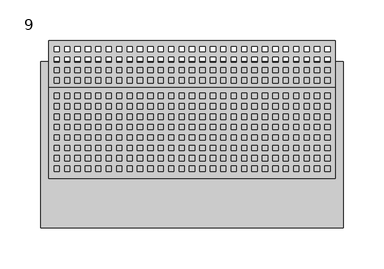
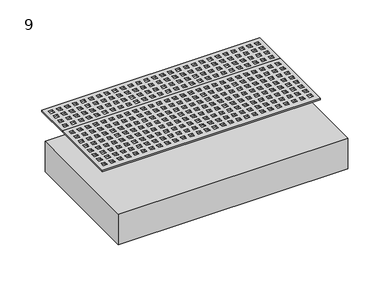
"""IFC4 building model written with IfcOpenShell, lengths in millimetres: furniture geometry, 9."""

from ifc_helpers import new_model, si_unit, frame, origin, place, context, project, spatial, polyline, outline, extrude, source, transform, mapped, element, save


def furniture_9_1f77d1e1(model_context):
    return source(origin(), model_context, "Body", "SweptSolid", [
        extrude(outline(polyline([(2431.9296415, 303.022), (2082.6796415, 303.022), (2082.6796415, 414.02), (2431.9296415, 414.02), (2431.9296415, 303.022)]), holes=[polyline([(2095.5042734, 311.9270787), (2095.5042734, 318.2770787), (2089.1542734, 318.2770787), (2089.1542734, 311.9270787), (2095.5042734, 311.9270787)]), polyline([(2095.5042734, 324.6270787), (2095.5042734, 330.9770787), (2089.1542734, 330.9770787), (2089.1542734, 324.6270787), (2095.5042734, 324.6270787)]), polyline([(2095.5042734, 337.3270787), (2095.5042734, 343.6770787), (2089.1542734, 343.6770787), (2089.1542734, 337.3270787), (2095.5042734, 337.3270787)]), polyline([(2095.5042734, 350.0270787), (2095.5042734, 356.3770787), (2089.1542734, 356.3770787), (2089.1542734, 350.0270787), (2095.5042734, 350.0270787)]), polyline([(2108.2042734, 311.9270787), (2108.2042734, 318.2770787), (2101.8542734, 318.2770787), (2101.8542734, 311.9270787), (2108.2042734, 311.9270787)]), polyline([(2108.2042734, 324.6270787), (2108.2042734, 330.9770787), (2101.8542734, 330.9770787), (2101.8542734, 324.6270787), (2108.2042734, 324.6270787)]), polyline([(2108.2042734, 337.3270787), (2108.2042734, 343.6770787), (2101.8542734, 343.6770787), (2101.8542734, 337.3270787), (2108.2042734, 337.3270787)]), polyline([(2108.2042734, 350.0270787), (2108.2042734, 356.3770787), (2101.8542734, 356.3770787), (2101.8542734, 350.0270787), (2108.2042734, 350.0270787)]), polyline([(2120.9042734, 311.9270787), (2120.9042734, 318.2770787), (2114.5542734, 318.2770787), (2114.5542734, 311.9270787), (2120.9042734, 311.9270787)]), polyline([(2120.9042734, 324.6270787), (2120.9042734, 330.9770787), (2114.5542734, 330.9770787), (2114.5542734, 324.6270787), (2120.9042734, 324.6270787)]), polyline([(2120.9042734, 337.3270787), (2120.9042734, 343.6770787), (2114.5542734, 343.6770787), (2114.5542734, 337.3270787), (2120.9042734, 337.3270787)]), polyline([(2120.9042734, 350.0270787), (2120.9042734, 356.3770787), (2114.5542734, 356.3770787), (2114.5542734, 350.0270787), (2120.9042734, 350.0270787)]), polyline([(2133.6042734, 311.9270787), (2133.6042734, 318.2770787), (2127.2542734, 318.2770787), (2127.2542734, 311.9270787), (2133.6042734, 311.9270787)]), polyline([(2133.6042734, 324.6270787), (2133.6042734, 330.9770787), (2127.2542734, 330.9770787), (2127.2542734, 324.6270787), (2133.6042734, 324.6270787)]), polyline([(2133.6042734, 337.3270787), (2133.6042734, 343.6770787), (2127.2542734, 343.6770787), (2127.2542734, 337.3270787), (2133.6042734, 337.3270787)]), polyline([(2133.6042734, 350.0270787), (2133.6042734, 356.3770787), (2127.2542734, 356.3770787), (2127.2542734, 350.0270787), (2133.6042734, 350.0270787)]), polyline([(2146.3042734, 311.9270787), (2146.3042734, 318.2770787), (2139.9542734, 318.2770787), (2139.9542734, 311.9270787), (2146.3042734, 311.9270787)]), polyline([(2146.3042734, 324.6270787), (2146.3042734, 330.9770787), (2139.9542734, 330.9770787), (2139.9542734, 324.6270787), (2146.3042734, 324.6270787)]), polyline([(2146.3042734, 337.3270787), (2146.3042734, 343.6770787), (2139.9542734, 343.6770787), (2139.9542734, 337.3270787), (2146.3042734, 337.3270787)]), polyline([(2146.3042734, 350.0270787), (2146.3042734, 356.3770787), (2139.9542734, 356.3770787), (2139.9542734, 350.0270787), (2146.3042734, 350.0270787)]), polyline([(2159.0042734, 311.9270787), (2159.0042734, 318.2770787), (2152.6542734, 318.2770787), (2152.6542734, 311.9270787), (2159.0042734, 311.9270787)]), polyline([(2159.0042734, 324.6270787), (2159.0042734, 330.9770787), (2152.6542734, 330.9770787), (2152.6542734, 324.6270787), (2159.0042734, 324.6270787)]), polyline([(2159.0042734, 337.3270787), (2159.0042734, 343.6770787), (2152.6542734, 343.6770787), (2152.6542734, 337.3270787), (2159.0042734, 337.3270787)]), polyline([(2159.0042734, 350.0270787), (2159.0042734, 356.3770787), (2152.6542734, 356.3770787), (2152.6542734, 350.0270787), (2159.0042734, 350.0270787)]), polyline([(2171.7042734, 311.9270787), (2171.7042734, 318.2770787), (2165.3542734, 318.2770787), (2165.3542734, 311.9270787), (2171.7042734, 311.9270787)]), polyline([(2171.7042734, 324.6270787), (2171.7042734, 330.9770787), (2165.3542734, 330.9770787), (2165.3542734, 324.6270787), (2171.7042734, 324.6270787)]), polyline([(2171.7042734, 337.3270787), (2171.7042734, 343.6770787), (2165.3542734, 343.6770787), (2165.3542734, 337.3270787), (2171.7042734, 337.3270787)]), polyline([(2171.7042734, 350.0270787), (2171.7042734, 356.3770787), (2165.3542734, 356.3770787), (2165.3542734, 350.0270787), (2171.7042734, 350.0270787)]), polyline([(2184.4042734, 311.9270787), (2184.4042734, 318.2770787), (2178.0542734, 318.2770787), (2178.0542734, 311.9270787), (2184.4042734, 311.9270787)]), polyline([(2184.4042734, 324.6270787), (2184.4042734, 330.9770787), (2178.0542734, 330.9770787), (2178.0542734, 324.6270787), (2184.4042734, 324.6270787)]), polyline([(2184.4042734, 337.3270787), (2184.4042734, 343.6770787), (2178.0542734, 343.6770787), (2178.0542734, 337.3270787), (2184.4042734, 337.3270787)]), polyline([(2184.4042734, 350.0270787), (2184.4042734, 356.3770787), (2178.0542734, 356.3770787), (2178.0542734, 350.0270787), (2184.4042734, 350.0270787)]), polyline([(2197.1042734, 311.9270787), (2197.1042734, 318.2770787), (2190.7542734, 318.2770787), (2190.7542734, 311.9270787), (2197.1042734, 311.9270787)]), polyline([(2197.1042734, 324.6270787), (2197.1042734, 330.9770787), (2190.7542734, 330.9770787), (2190.7542734, 324.6270787), (2197.1042734, 324.6270787)]), polyline([(2197.1042734, 337.3270787), (2197.1042734, 343.6770787), (2190.7542734, 343.6770787), (2190.7542734, 337.3270787), (2197.1042734, 337.3270787)]), polyline([(2197.1042734, 350.0270787), (2197.1042734, 356.3770787), (2190.7542734, 356.3770787), (2190.7542734, 350.0270787), (2197.1042734, 350.0270787)]), polyline([(2209.8042734, 311.9270787), (2209.8042734, 318.2770787), (2203.4542734, 318.2770787), (2203.4542734, 311.9270787), (2209.8042734, 311.9270787)]), polyline([(2209.8042734, 324.6270787), (2209.8042734, 330.9770787), (2203.4542734, 330.9770787), (2203.4542734, 324.6270787), (2209.8042734, 324.6270787)]), polyline([(2209.8042734, 337.3270787), (2209.8042734, 343.6770787), (2203.4542734, 343.6770787), (2203.4542734, 337.3270787), (2209.8042734, 337.3270787)]), polyline([(2209.8042734, 350.0270787), (2209.8042734, 356.3770787), (2203.4542734, 356.3770787), (2203.4542734, 350.0270787), (2209.8042734, 350.0270787)]), polyline([(2222.5042734, 311.9270787), (2222.5042734, 318.2770787), (2216.1542734, 318.2770787), (2216.1542734, 311.9270787), (2222.5042734, 311.9270787)]), polyline([(2222.5042734, 324.6270787), (2222.5042734, 330.9770787), (2216.1542734, 330.9770787), (2216.1542734, 324.6270787), (2222.5042734, 324.6270787)]), polyline([(2222.5042734, 337.3270787), (2222.5042734, 343.6770787), (2216.1542734, 343.6770787), (2216.1542734, 337.3270787), (2222.5042734, 337.3270787)]), polyline([(2222.5042734, 350.0270787), (2222.5042734, 356.3770787), (2216.1542734, 356.3770787), (2216.1542734, 350.0270787), (2222.5042734, 350.0270787)]), polyline([(2235.2042734, 311.9270787), (2235.2042734, 318.2770787), (2228.8542734, 318.2770787), (2228.8542734, 311.9270787), (2235.2042734, 311.9270787)]), polyline([(2235.2042734, 324.6270787), (2235.2042734, 330.9770787), (2228.8542734, 330.9770787), (2228.8542734, 324.6270787), (2235.2042734, 324.6270787)]), polyline([(2235.2042734, 337.3270787), (2235.2042734, 343.6770787), (2228.8542734, 343.6770787), (2228.8542734, 337.3270787), (2235.2042734, 337.3270787)]), polyline([(2235.2042734, 350.0270787), (2235.2042734, 356.3770787), (2228.8542734, 356.3770787), (2228.8542734, 350.0270787), (2235.2042734, 350.0270787)]), polyline([(2247.9042734, 311.9270787), (2247.9042734, 318.2770787), (2241.5542734, 318.2770787), (2241.5542734, 311.9270787), (2247.9042734, 311.9270787)]), polyline([(2247.9042734, 324.6270787), (2247.9042734, 330.9770787), (2241.5542734, 330.9770787), (2241.5542734, 324.6270787), (2247.9042734, 324.6270787)]), polyline([(2247.9042734, 337.3270787), (2247.9042734, 343.6770787), (2241.5542734, 343.6770787), (2241.5542734, 337.3270787), (2247.9042734, 337.3270787)]), polyline([(2247.9042734, 350.0270787), (2247.9042734, 356.3770787), (2241.5542734, 356.3770787), (2241.5542734, 350.0270787), (2247.9042734, 350.0270787)]), polyline([(2260.6042734, 311.9270787), (2260.6042734, 318.2770787), (2254.2542734, 318.2770787), (2254.2542734, 311.9270787), (2260.6042734, 311.9270787)]), polyline([(2260.6042734, 324.6270787), (2260.6042734, 330.9770787), (2254.2542734, 330.9770787), (2254.2542734, 324.6270787), (2260.6042734, 324.6270787)]), polyline([(2260.6042734, 337.3270787), (2260.6042734, 343.6770787), (2254.2542734, 343.6770787), (2254.2542734, 337.3270787), (2260.6042734, 337.3270787)]), polyline([(2260.6042734, 350.0270787), (2260.6042734, 356.3770787), (2254.2542734, 356.3770787), (2254.2542734, 350.0270787), (2260.6042734, 350.0270787)]), polyline([(2273.3042734, 311.9270787), (2273.3042734, 318.2770787), (2266.9542734, 318.2770787), (2266.9542734, 311.9270787), (2273.3042734, 311.9270787)]), polyline([(2273.3042734, 324.6270787), (2273.3042734, 330.9770787), (2266.9542734, 330.9770787), (2266.9542734, 324.6270787), (2273.3042734, 324.6270787)]), polyline([(2273.3042734, 337.3270787), (2273.3042734, 343.6770787), (2266.9542734, 343.6770787), (2266.9542734, 337.3270787), (2273.3042734, 337.3270787)]), polyline([(2273.3042734, 350.0270787), (2273.3042734, 356.3770787), (2266.9542734, 356.3770787), (2266.9542734, 350.0270787), (2273.3042734, 350.0270787)]), polyline([(2286.0042734, 311.9270787), (2286.0042734, 318.2770787), (2279.6542734, 318.2770787), (2279.6542734, 311.9270787), (2286.0042734, 311.9270787)]), polyline([(2286.0042734, 324.6270787), (2286.0042734, 330.9770787), (2279.6542734, 330.9770787), (2279.6542734, 324.6270787), (2286.0042734, 324.6270787)]), polyline([(2286.0042734, 337.3270787), (2286.0042734, 343.6770787), (2279.6542734, 343.6770787), (2279.6542734, 337.3270787), (2286.0042734, 337.3270787)]), polyline([(2286.0042734, 350.0270787), (2286.0042734, 356.3770787), (2279.6542734, 356.3770787), (2279.6542734, 350.0270787), (2286.0042734, 350.0270787)]), polyline([(2298.7042734, 311.9270787), (2298.7042734, 318.2770787), (2292.3542734, 318.2770787), (2292.3542734, 311.9270787), (2298.7042734, 311.9270787)]), polyline([(2298.7042734, 324.6270787), (2298.7042734, 330.9770787), (2292.3542734, 330.9770787), (2292.3542734, 324.6270787), (2298.7042734, 324.6270787)]), polyline([(2298.7042734, 337.3270787), (2298.7042734, 343.6770787), (2292.3542734, 343.6770787), (2292.3542734, 337.3270787), (2298.7042734, 337.3270787)]), polyline([(2298.7042734, 350.0270787), (2298.7042734, 356.3770787), (2292.3542734, 356.3770787), (2292.3542734, 350.0270787), (2298.7042734, 350.0270787)]), polyline([(2311.4042734, 311.9270787), (2311.4042734, 318.2770787), (2305.0542734, 318.2770787), (2305.0542734, 311.9270787), (2311.4042734, 311.9270787)]), polyline([(2311.4042734, 324.6270787), (2311.4042734, 330.9770787), (2305.0542734, 330.9770787), (2305.0542734, 324.6270787), (2311.4042734, 324.6270787)]), polyline([(2311.4042734, 337.3270787), (2311.4042734, 343.6770787), (2305.0542734, 343.6770787), (2305.0542734, 337.3270787), (2311.4042734, 337.3270787)]), polyline([(2311.4042734, 350.0270787), (2311.4042734, 356.3770787), (2305.0542734, 356.3770787), (2305.0542734, 350.0270787), (2311.4042734, 350.0270787)]), polyline([(2324.1042734, 311.9270787), (2324.1042734, 318.2770787), (2317.7542734, 318.2770787), (2317.7542734, 311.9270787), (2324.1042734, 311.9270787)]), polyline([(2324.1042734, 324.6270787), (2324.1042734, 330.9770787), (2317.7542734, 330.9770787), (2317.7542734, 324.6270787), (2324.1042734, 324.6270787)]), polyline([(2324.1042734, 337.3270787), (2324.1042734, 343.6770787), (2317.7542734, 343.6770787), (2317.7542734, 337.3270787), (2324.1042734, 337.3270787)]), polyline([(2324.1042734, 350.0270787), (2324.1042734, 356.3770787), (2317.7542734, 356.3770787), (2317.7542734, 350.0270787), (2324.1042734, 350.0270787)]), polyline([(2336.8042734, 311.9270787), (2336.8042734, 318.2770787), (2330.4542734, 318.2770787), (2330.4542734, 311.9270787), (2336.8042734, 311.9270787)]), polyline([(2336.8042734, 324.6270787), (2336.8042734, 330.9770787), (2330.4542734, 330.9770787), (2330.4542734, 324.6270787), (2336.8042734, 324.6270787)]), polyline([(2336.8042734, 337.3270787), (2336.8042734, 343.6770787), (2330.4542734, 343.6770787), (2330.4542734, 337.3270787), (2336.8042734, 337.3270787)]), polyline([(2336.8042734, 350.0270787), (2336.8042734, 356.3770787), (2330.4542734, 356.3770787), (2330.4542734, 350.0270787), (2336.8042734, 350.0270787)]), polyline([(2349.5042734, 311.9270787), (2349.5042734, 318.2770787), (2343.1542734, 318.2770787), (2343.1542734, 311.9270787), (2349.5042734, 311.9270787)]), polyline([(2349.5042734, 324.6270787), (2349.5042734, 330.9770787), (2343.1542734, 330.9770787), (2343.1542734, 324.6270787), (2349.5042734, 324.6270787)]), polyline([(2349.5042734, 337.3270787), (2349.5042734, 343.6770787), (2343.1542734, 343.6770787), (2343.1542734, 337.3270787), (2349.5042734, 337.3270787)]), polyline([(2349.5042734, 350.0270787), (2349.5042734, 356.3770787), (2343.1542734, 356.3770787), (2343.1542734, 350.0270787), (2349.5042734, 350.0270787)]), polyline([(2362.2042734, 311.9270787), (2362.2042734, 318.2770787), (2355.8542734, 318.2770787), (2355.8542734, 311.9270787), (2362.2042734, 311.9270787)]), polyline([(2362.2042734, 324.6270787), (2362.2042734, 330.9770787), (2355.8542734, 330.9770787), (2355.8542734, 324.6270787), (2362.2042734, 324.6270787)]), polyline([(2362.2042734, 337.3270787), (2362.2042734, 343.6770787), (2355.8542734, 343.6770787), (2355.8542734, 337.3270787), (2362.2042734, 337.3270787)]), polyline([(2362.2042734, 350.0270787), (2362.2042734, 356.3770787), (2355.8542734, 356.3770787), (2355.8542734, 350.0270787), (2362.2042734, 350.0270787)]), polyline([(2374.9042734, 311.9270787), (2374.9042734, 318.2770787), (2368.5542734, 318.2770787), (2368.5542734, 311.9270787), (2374.9042734, 311.9270787)]), polyline([(2374.9042734, 324.6270787), (2374.9042734, 330.9770787), (2368.5542734, 330.9770787), (2368.5542734, 324.6270787), (2374.9042734, 324.6270787)]), polyline([(2374.9042734, 337.3270787), (2374.9042734, 343.6770787), (2368.5542734, 343.6770787), (2368.5542734, 337.3270787), (2374.9042734, 337.3270787)]), polyline([(2374.9042734, 350.0270787), (2374.9042734, 356.3770787), (2368.5542734, 356.3770787), (2368.5542734, 350.0270787), (2374.9042734, 350.0270787)]), polyline([(2387.6042734, 311.9270787), (2387.6042734, 318.2770787), (2381.2542734, 318.2770787), (2381.2542734, 311.9270787), (2387.6042734, 311.9270787)]), polyline([(2387.6042734, 324.6270787), (2387.6042734, 330.9770787), (2381.2542734, 330.9770787), (2381.2542734, 324.6270787), (2387.6042734, 324.6270787)]), polyline([(2387.6042734, 337.3270787), (2387.6042734, 343.6770787), (2381.2542734, 343.6770787), (2381.2542734, 337.3270787), (2387.6042734, 337.3270787)]), polyline([(2387.6042734, 350.0270787), (2387.6042734, 356.3770787), (2381.2542734, 356.3770787), (2381.2542734, 350.0270787), (2387.6042734, 350.0270787)]), polyline([(2400.3042734, 311.9270787), (2400.3042734, 318.2770787), (2393.9542734, 318.2770787), (2393.9542734, 311.9270787), (2400.3042734, 311.9270787)]), polyline([(2400.3042734, 324.6270787), (2400.3042734, 330.9770787), (2393.9542734, 330.9770787), (2393.9542734, 324.6270787), (2400.3042734, 324.6270787)]), polyline([(2400.3042734, 337.3270787), (2400.3042734, 343.6770787), (2393.9542734, 343.6770787), (2393.9542734, 337.3270787), (2400.3042734, 337.3270787)]), polyline([(2400.3042734, 350.0270787), (2400.3042734, 356.3770787), (2393.9542734, 356.3770787), (2393.9542734, 350.0270787), (2400.3042734, 350.0270787)]), polyline([(2413.0042734, 311.9270787), (2413.0042734, 318.2770787), (2406.6542734, 318.2770787), (2406.6542734, 311.9270787), (2413.0042734, 311.9270787)]), polyline([(2413.0042734, 324.6270787), (2413.0042734, 330.9770787), (2406.6542734, 330.9770787), (2406.6542734, 324.6270787), (2413.0042734, 324.6270787)]), polyline([(2413.0042734, 337.3270787), (2413.0042734, 343.6770787), (2406.6542734, 343.6770787), (2406.6542734, 337.3270787), (2413.0042734, 337.3270787)]), polyline([(2413.0042734, 350.0270787), (2413.0042734, 356.3770787), (2406.6542734, 356.3770787), (2406.6542734, 350.0270787), (2413.0042734, 350.0270787)]), polyline([(2425.7042734, 311.9270787), (2425.7042734, 318.2770787), (2419.3542734, 318.2770787), (2419.3542734, 311.9270787), (2425.7042734, 311.9270787)]), polyline([(2425.7042734, 324.6270787), (2425.7042734, 330.9770787), (2419.3542734, 330.9770787), (2419.3542734, 324.6270787), (2425.7042734, 324.6270787)]), polyline([(2425.7042734, 337.3270787), (2425.7042734, 343.6770787), (2419.3542734, 343.6770787), (2419.3542734, 337.3270787), (2425.7042734, 337.3270787)]), polyline([(2425.7042734, 350.0270787), (2425.7042734, 356.3770787), (2419.3542734, 356.3770787), (2419.3542734, 350.0270787), (2425.7042734, 350.0270787)]), polyline([(2095.5042734, 362.7270787), (2095.5042734, 369.0770787), (2089.1542734, 369.0770787), (2089.1542734, 362.7270787), (2095.5042734, 362.7270787)]), polyline([(2095.5042734, 375.4270787), (2095.5042734, 381.7770787), (2089.1542734, 381.7770787), (2089.1542734, 375.4270787), (2095.5042734, 375.4270787)]), polyline([(2095.5042734, 388.1270787), (2095.5042734, 394.4770787), (2089.1542734, 394.4770787), (2089.1542734, 388.1270787), (2095.5042734, 388.1270787)]), polyline([(2108.2042734, 362.7270787), (2108.2042734, 369.0770787), (2101.8542734, 369.0770787), (2101.8542734, 362.7270787), (2108.2042734, 362.7270787)]), polyline([(2108.2042734, 375.4270787), (2108.2042734, 381.7770787), (2101.8542734, 381.7770787), (2101.8542734, 375.4270787), (2108.2042734, 375.4270787)]), polyline([(2108.2042734, 388.1270787), (2108.2042734, 394.4770787), (2101.8542734, 394.4770787), (2101.8542734, 388.1270787), (2108.2042734, 388.1270787)]), polyline([(2120.9042734, 362.7270787), (2120.9042734, 369.0770787), (2114.5542734, 369.0770787), (2114.5542734, 362.7270787), (2120.9042734, 362.7270787)]), polyline([(2120.9042734, 375.4270787), (2120.9042734, 381.7770787), (2114.5542734, 381.7770787), (2114.5542734, 375.4270787), (2120.9042734, 375.4270787)]), polyline([(2120.9042734, 388.1270787), (2120.9042734, 394.4770787), (2114.5542734, 394.4770787), (2114.5542734, 388.1270787), (2120.9042734, 388.1270787)]), polyline([(2133.6042734, 362.7270787), (2133.6042734, 369.0770787), (2127.2542734, 369.0770787), (2127.2542734, 362.7270787), (2133.6042734, 362.7270787)]), polyline([(2133.6042734, 375.4270787), (2133.6042734, 381.7770787), (2127.2542734, 381.7770787), (2127.2542734, 375.4270787), (2133.6042734, 375.4270787)]), polyline([(2133.6042734, 388.1270787), (2133.6042734, 394.4770787), (2127.2542734, 394.4770787), (2127.2542734, 388.1270787), (2133.6042734, 388.1270787)]), polyline([(2146.3042734, 362.7270787), (2146.3042734, 369.0770787), (2139.9542734, 369.0770787), (2139.9542734, 362.7270787), (2146.3042734, 362.7270787)]), polyline([(2146.3042734, 375.4270787), (2146.3042734, 381.7770787), (2139.9542734, 381.7770787), (2139.9542734, 375.4270787), (2146.3042734, 375.4270787)]), polyline([(2146.3042734, 388.1270787), (2146.3042734, 394.4770787), (2139.9542734, 394.4770787), (2139.9542734, 388.1270787), (2146.3042734, 388.1270787)]), polyline([(2159.0042734, 362.7270787), (2159.0042734, 369.0770787), (2152.6542734, 369.0770787), (2152.6542734, 362.7270787), (2159.0042734, 362.7270787)]), polyline([(2159.0042734, 375.4270787), (2159.0042734, 381.7770787), (2152.6542734, 381.7770787), (2152.6542734, 375.4270787), (2159.0042734, 375.4270787)]), polyline([(2159.0042734, 388.1270787), (2159.0042734, 394.4770787), (2152.6542734, 394.4770787), (2152.6542734, 388.1270787), (2159.0042734, 388.1270787)]), polyline([(2171.7042734, 362.7270787), (2171.7042734, 369.0770787), (2165.3542734, 369.0770787), (2165.3542734, 362.7270787), (2171.7042734, 362.7270787)]), polyline([(2171.7042734, 375.4270787), (2171.7042734, 381.7770787), (2165.3542734, 381.7770787), (2165.3542734, 375.4270787), (2171.7042734, 375.4270787)]), polyline([(2171.7042734, 388.1270787), (2171.7042734, 394.4770787), (2165.3542734, 394.4770787), (2165.3542734, 388.1270787), (2171.7042734, 388.1270787)]), polyline([(2184.4042734, 362.7270787), (2184.4042734, 369.0770787), (2178.0542734, 369.0770787), (2178.0542734, 362.7270787), (2184.4042734, 362.7270787)]), polyline([(2184.4042734, 375.4270787), (2184.4042734, 381.7770787), (2178.0542734, 381.7770787), (2178.0542734, 375.4270787), (2184.4042734, 375.4270787)]), polyline([(2184.4042734, 388.1270787), (2184.4042734, 394.4770787), (2178.0542734, 394.4770787), (2178.0542734, 388.1270787), (2184.4042734, 388.1270787)]), polyline([(2197.1042734, 362.7270787), (2197.1042734, 369.0770787), (2190.7542734, 369.0770787), (2190.7542734, 362.7270787), (2197.1042734, 362.7270787)]), polyline([(2197.1042734, 375.4270787), (2197.1042734, 381.7770787), (2190.7542734, 381.7770787), (2190.7542734, 375.4270787), (2197.1042734, 375.4270787)]), polyline([(2197.1042734, 388.1270787), (2197.1042734, 394.4770787), (2190.7542734, 394.4770787), (2190.7542734, 388.1270787), (2197.1042734, 388.1270787)]), polyline([(2209.8042734, 362.7270787), (2209.8042734, 369.0770787), (2203.4542734, 369.0770787), (2203.4542734, 362.7270787), (2209.8042734, 362.7270787)]), polyline([(2209.8042734, 375.4270787), (2209.8042734, 381.7770787), (2203.4542734, 381.7770787), (2203.4542734, 375.4270787), (2209.8042734, 375.4270787)]), polyline([(2209.8042734, 388.1270787), (2209.8042734, 394.4770787), (2203.4542734, 394.4770787), (2203.4542734, 388.1270787), (2209.8042734, 388.1270787)]), polyline([(2222.5042734, 362.7270787), (2222.5042734, 369.0770787), (2216.1542734, 369.0770787), (2216.1542734, 362.7270787), (2222.5042734, 362.7270787)]), polyline([(2222.5042734, 375.4270787), (2222.5042734, 381.7770787), (2216.1542734, 381.7770787), (2216.1542734, 375.4270787), (2222.5042734, 375.4270787)]), polyline([(2222.5042734, 388.1270787), (2222.5042734, 394.4770787), (2216.1542734, 394.4770787), (2216.1542734, 388.1270787), (2222.5042734, 388.1270787)]), polyline([(2235.2042734, 362.7270787), (2235.2042734, 369.0770787), (2228.8542734, 369.0770787), (2228.8542734, 362.7270787), (2235.2042734, 362.7270787)]), polyline([(2235.2042734, 375.4270787), (2235.2042734, 381.7770787), (2228.8542734, 381.7770787), (2228.8542734, 375.4270787), (2235.2042734, 375.4270787)]), polyline([(2235.2042734, 388.1270787), (2235.2042734, 394.4770787), (2228.8542734, 394.4770787), (2228.8542734, 388.1270787), (2235.2042734, 388.1270787)]), polyline([(2247.9042734, 362.7270787), (2247.9042734, 369.0770787), (2241.5542734, 369.0770787), (2241.5542734, 362.7270787), (2247.9042734, 362.7270787)]), polyline([(2247.9042734, 375.4270787), (2247.9042734, 381.7770787), (2241.5542734, 381.7770787), (2241.5542734, 375.4270787), (2247.9042734, 375.4270787)]), polyline([(2247.9042734, 388.1270787), (2247.9042734, 394.4770787), (2241.5542734, 394.4770787), (2241.5542734, 388.1270787), (2247.9042734, 388.1270787)]), polyline([(2260.6042734, 362.7270787), (2260.6042734, 369.0770787), (2254.2542734, 369.0770787), (2254.2542734, 362.7270787), (2260.6042734, 362.7270787)]), polyline([(2260.6042734, 375.4270787), (2260.6042734, 381.7770787), (2254.2542734, 381.7770787), (2254.2542734, 375.4270787), (2260.6042734, 375.4270787)]), polyline([(2260.6042734, 388.1270787), (2260.6042734, 394.4770787), (2254.2542734, 394.4770787), (2254.2542734, 388.1270787), (2260.6042734, 388.1270787)]), polyline([(2273.3042734, 362.7270787), (2273.3042734, 369.0770787), (2266.9542734, 369.0770787), (2266.9542734, 362.7270787), (2273.3042734, 362.7270787)]), polyline([(2273.3042734, 375.4270787), (2273.3042734, 381.7770787), (2266.9542734, 381.7770787), (2266.9542734, 375.4270787), (2273.3042734, 375.4270787)]), polyline([(2273.3042734, 388.1270787), (2273.3042734, 394.4770787), (2266.9542734, 394.4770787), (2266.9542734, 388.1270787), (2273.3042734, 388.1270787)]), polyline([(2286.0042734, 362.7270787), (2286.0042734, 369.0770787), (2279.6542734, 369.0770787), (2279.6542734, 362.7270787), (2286.0042734, 362.7270787)]), polyline([(2286.0042734, 375.4270787), (2286.0042734, 381.7770787), (2279.6542734, 381.7770787), (2279.6542734, 375.4270787), (2286.0042734, 375.4270787)]), polyline([(2286.0042734, 388.1270787), (2286.0042734, 394.4770787), (2279.6542734, 394.4770787), (2279.6542734, 388.1270787), (2286.0042734, 388.1270787)]), polyline([(2298.7042734, 362.7270787), (2298.7042734, 369.0770787), (2292.3542734, 369.0770787), (2292.3542734, 362.7270787), (2298.7042734, 362.7270787)]), polyline([(2298.7042734, 375.4270787), (2298.7042734, 381.7770787), (2292.3542734, 381.7770787), (2292.3542734, 375.4270787), (2298.7042734, 375.4270787)]), polyline([(2298.7042734, 388.1270787), (2298.7042734, 394.4770787), (2292.3542734, 394.4770787), (2292.3542734, 388.1270787), (2298.7042734, 388.1270787)]), polyline([(2311.4042734, 362.7270787), (2311.4042734, 369.0770787), (2305.0542734, 369.0770787), (2305.0542734, 362.7270787), (2311.4042734, 362.7270787)]), polyline([(2311.4042734, 375.4270787), (2311.4042734, 381.7770787), (2305.0542734, 381.7770787), (2305.0542734, 375.4270787), (2311.4042734, 375.4270787)]), polyline([(2311.4042734, 388.1270787), (2311.4042734, 394.4770787), (2305.0542734, 394.4770787), (2305.0542734, 388.1270787), (2311.4042734, 388.1270787)]), polyline([(2324.1042734, 362.7270787), (2324.1042734, 369.0770787), (2317.7542734, 369.0770787), (2317.7542734, 362.7270787), (2324.1042734, 362.7270787)]), polyline([(2324.1042734, 375.4270787), (2324.1042734, 381.7770787), (2317.7542734, 381.7770787), (2317.7542734, 375.4270787), (2324.1042734, 375.4270787)]), polyline([(2324.1042734, 388.1270787), (2324.1042734, 394.4770787), (2317.7542734, 394.4770787), (2317.7542734, 388.1270787), (2324.1042734, 388.1270787)]), polyline([(2336.8042734, 362.7270787), (2336.8042734, 369.0770787), (2330.4542734, 369.0770787), (2330.4542734, 362.7270787), (2336.8042734, 362.7270787)]), polyline([(2336.8042734, 375.4270787), (2336.8042734, 381.7770787), (2330.4542734, 381.7770787), (2330.4542734, 375.4270787), (2336.8042734, 375.4270787)]), polyline([(2336.8042734, 388.1270787), (2336.8042734, 394.4770787), (2330.4542734, 394.4770787), (2330.4542734, 388.1270787), (2336.8042734, 388.1270787)]), polyline([(2349.5042734, 362.7270787), (2349.5042734, 369.0770787), (2343.1542734, 369.0770787), (2343.1542734, 362.7270787), (2349.5042734, 362.7270787)]), polyline([(2349.5042734, 375.4270787), (2349.5042734, 381.7770787), (2343.1542734, 381.7770787), (2343.1542734, 375.4270787), (2349.5042734, 375.4270787)]), polyline([(2349.5042734, 388.1270787), (2349.5042734, 394.4770787), (2343.1542734, 394.4770787), (2343.1542734, 388.1270787), (2349.5042734, 388.1270787)]), polyline([(2362.2042734, 362.7270787), (2362.2042734, 369.0770787), (2355.8542734, 369.0770787), (2355.8542734, 362.7270787), (2362.2042734, 362.7270787)]), polyline([(2362.2042734, 375.4270787), (2362.2042734, 381.7770787), (2355.8542734, 381.7770787), (2355.8542734, 375.4270787), (2362.2042734, 375.4270787)]), polyline([(2362.2042734, 388.1270787), (2362.2042734, 394.4770787), (2355.8542734, 394.4770787), (2355.8542734, 388.1270787), (2362.2042734, 388.1270787)]), polyline([(2374.9042734, 362.7270787), (2374.9042734, 369.0770787), (2368.5542734, 369.0770787), (2368.5542734, 362.7270787), (2374.9042734, 362.7270787)]), polyline([(2374.9042734, 375.4270787), (2374.9042734, 381.7770787), (2368.5542734, 381.7770787), (2368.5542734, 375.4270787), (2374.9042734, 375.4270787)]), polyline([(2374.9042734, 388.1270787), (2374.9042734, 394.4770787), (2368.5542734, 394.4770787), (2368.5542734, 388.1270787), (2374.9042734, 388.1270787)]), polyline([(2387.6042734, 362.7270787), (2387.6042734, 369.0770787), (2381.2542734, 369.0770787), (2381.2542734, 362.7270787), (2387.6042734, 362.7270787)]), polyline([(2387.6042734, 375.4270787), (2387.6042734, 381.7770787), (2381.2542734, 381.7770787), (2381.2542734, 375.4270787), (2387.6042734, 375.4270787)]), polyline([(2387.6042734, 388.1270787), (2387.6042734, 394.4770787), (2381.2542734, 394.4770787), (2381.2542734, 388.1270787), (2387.6042734, 388.1270787)]), polyline([(2400.3042734, 362.7270787), (2400.3042734, 369.0770787), (2393.9542734, 369.0770787), (2393.9542734, 362.7270787), (2400.3042734, 362.7270787)]), polyline([(2400.3042734, 375.4270787), (2400.3042734, 381.7770787), (2393.9542734, 381.7770787), (2393.9542734, 375.4270787), (2400.3042734, 375.4270787)]), polyline([(2400.3042734, 388.1270787), (2400.3042734, 394.4770787), (2393.9542734, 394.4770787), (2393.9542734, 388.1270787), (2400.3042734, 388.1270787)]), polyline([(2413.0042734, 362.7270787), (2413.0042734, 369.0770787), (2406.6542734, 369.0770787), (2406.6542734, 362.7270787), (2413.0042734, 362.7270787)]), polyline([(2413.0042734, 375.4270787), (2413.0042734, 381.7770787), (2406.6542734, 381.7770787), (2406.6542734, 375.4270787), (2413.0042734, 375.4270787)]), polyline([(2413.0042734, 388.1270787), (2413.0042734, 394.4770787), (2406.6542734, 394.4770787), (2406.6542734, 388.1270787), (2413.0042734, 388.1270787)]), polyline([(2425.7042734, 362.7270787), (2425.7042734, 369.0770787), (2419.3542734, 369.0770787), (2419.3542734, 362.7270787), (2425.7042734, 362.7270787)]), polyline([(2425.7042734, 375.4270787), (2425.7042734, 381.7770787), (2419.3542734, 381.7770787), (2419.3542734, 375.4270787), (2425.7042734, 375.4270787)]), polyline([(2425.7042734, 388.1270787), (2425.7042734, 394.4770787), (2419.3542734, 394.4770787), (2419.3542734, 388.1270787), (2425.7042734, 388.1270787)]), polyline([(2095.5042734, 400.8270787), (2095.5042734, 407.1770787), (2089.1542734, 407.1770787), (2089.1542734, 400.8270787), (2095.5042734, 400.8270787)]), polyline([(2108.2042734, 400.8270787), (2108.2042734, 407.1770787), (2101.8542734, 407.1770787), (2101.8542734, 400.8270787), (2108.2042734, 400.8270787)]), polyline([(2120.9042734, 400.8270787), (2120.9042734, 407.1770787), (2114.5542734, 407.1770787), (2114.5542734, 400.8270787), (2120.9042734, 400.8270787)]), polyline([(2133.6042734, 400.8270787), (2133.6042734, 407.1770787), (2127.2542734, 407.1770787), (2127.2542734, 400.8270787), (2133.6042734, 400.8270787)]), polyline([(2146.3042734, 400.8270787), (2146.3042734, 407.1770787), (2139.9542734, 407.1770787), (2139.9542734, 400.8270787), (2146.3042734, 400.8270787)]), polyline([(2159.0042734, 400.8270787), (2159.0042734, 407.1770787), (2152.6542734, 407.1770787), (2152.6542734, 400.8270787), (2159.0042734, 400.8270787)]), polyline([(2171.7042734, 400.8270787), (2171.7042734, 407.1770787), (2165.3542734, 407.1770787), (2165.3542734, 400.8270787), (2171.7042734, 400.8270787)]), polyline([(2184.4042734, 400.8270787), (2184.4042734, 407.1770787), (2178.0542734, 407.1770787), (2178.0542734, 400.8270787), (2184.4042734, 400.8270787)]), polyline([(2197.1042734, 400.8270787), (2197.1042734, 407.1770787), (2190.7542734, 407.1770787), (2190.7542734, 400.8270787), (2197.1042734, 400.8270787)]), polyline([(2209.8042734, 400.8270787), (2209.8042734, 407.1770787), (2203.4542734, 407.1770787), (2203.4542734, 400.8270787), (2209.8042734, 400.8270787)]), polyline([(2222.5042734, 400.8270787), (2222.5042734, 407.1770787), (2216.1542734, 407.1770787), (2216.1542734, 400.8270787), (2222.5042734, 400.8270787)]), polyline([(2235.2042734, 400.8270787), (2235.2042734, 407.1770787), (2228.8542734, 407.1770787), (2228.8542734, 400.8270787), (2235.2042734, 400.8270787)]), polyline([(2247.9042734, 400.8270787), (2247.9042734, 407.1770787), (2241.5542734, 407.1770787), (2241.5542734, 400.8270787), (2247.9042734, 400.8270787)]), polyline([(2260.6042734, 400.8270787), (2260.6042734, 407.1770787), (2254.2542734, 407.1770787), (2254.2542734, 400.8270787), (2260.6042734, 400.8270787)]), polyline([(2273.3042734, 400.8270787), (2273.3042734, 407.1770787), (2266.9542734, 407.1770787), (2266.9542734, 400.8270787), (2273.3042734, 400.8270787)]), polyline([(2286.0042734, 400.8270787), (2286.0042734, 407.1770787), (2279.6542734, 407.1770787), (2279.6542734, 400.8270787), (2286.0042734, 400.8270787)]), polyline([(2298.7042734, 400.8270787), (2298.7042734, 407.1770787), (2292.3542734, 407.1770787), (2292.3542734, 400.8270787), (2298.7042734, 400.8270787)]), polyline([(2311.4042734, 400.8270787), (2311.4042734, 407.1770787), (2305.0542734, 407.1770787), (2305.0542734, 400.8270787), (2311.4042734, 400.8270787)]), polyline([(2324.1042734, 400.8270787), (2324.1042734, 407.1770787), (2317.7542734, 407.1770787), (2317.7542734, 400.8270787), (2324.1042734, 400.8270787)]), polyline([(2336.8042734, 400.8270787), (2336.8042734, 407.1770787), (2330.4542734, 407.1770787), (2330.4542734, 400.8270787), (2336.8042734, 400.8270787)]), polyline([(2349.5042734, 400.8270787), (2349.5042734, 407.1770787), (2343.1542734, 407.1770787), (2343.1542734, 400.8270787), (2349.5042734, 400.8270787)]), polyline([(2362.2042734, 400.8270787), (2362.2042734, 407.1770787), (2355.8542734, 407.1770787), (2355.8542734, 400.8270787), (2362.2042734, 400.8270787)]), polyline([(2374.9042734, 400.8270787), (2374.9042734, 407.1770787), (2368.5542734, 407.1770787), (2368.5542734, 400.8270787), (2374.9042734, 400.8270787)]), polyline([(2387.6042734, 400.8270787), (2387.6042734, 407.1770787), (2381.2542734, 407.1770787), (2381.2542734, 400.8270787), (2387.6042734, 400.8270787)]), polyline([(2400.3042734, 400.8270787), (2400.3042734, 407.1770787), (2393.9542734, 407.1770787), (2393.9542734, 400.8270787), (2400.3042734, 400.8270787)]), polyline([(2413.0042734, 400.8270787), (2413.0042734, 407.1770787), (2406.6542734, 407.1770787), (2406.6542734, 400.8270787), (2413.0042734, 400.8270787)]), polyline([(2425.7042734, 400.8270787), (2425.7042734, 407.1770787), (2419.3542734, 407.1770787), (2419.3542734, 400.8270787), (2425.7042734, 400.8270787)])]), frame((0.0, 0.0, 739.775), z_axis=(0.0, 0.0, 1.0), x_axis=(1.0, 0.0, 0.0)), (0.0, 0.0, 1.0), 2.54),
        extrude(outline(polyline([(2431.9296415, 414.02), (2082.6796415, 414.02), (2082.6796415, 471.17), (2431.9296415, 471.17), (2431.9296415, 414.02)]), holes=[polyline([(2095.5042734, 419.7500787), (2095.5042734, 426.1000787), (2089.1542734, 426.1000787), (2089.1542734, 419.7500787), (2095.5042734, 419.7500787)]), polyline([(2095.5042734, 432.4500787), (2095.5042734, 438.8000787), (2089.1542734, 438.8000787), (2089.1542734, 432.4500787), (2095.5042734, 432.4500787)]), polyline([(2095.5042734, 445.1500787), (2095.5042734, 451.5000787), (2089.1542734, 451.5000787), (2089.1542734, 445.1500787), (2095.5042734, 445.1500787)]), polyline([(2095.5042734, 457.8500787), (2095.5042734, 464.2000787), (2089.1542734, 464.2000787), (2089.1542734, 457.8500787), (2095.5042734, 457.8500787)]), polyline([(2108.2042734, 419.7500787), (2108.2042734, 426.1000787), (2101.8542734, 426.1000787), (2101.8542734, 419.7500787), (2108.2042734, 419.7500787)]), polyline([(2108.2042734, 432.4500787), (2108.2042734, 438.8000787), (2101.8542734, 438.8000787), (2101.8542734, 432.4500787), (2108.2042734, 432.4500787)]), polyline([(2108.2042734, 445.1500787), (2108.2042734, 451.5000787), (2101.8542734, 451.5000787), (2101.8542734, 445.1500787), (2108.2042734, 445.1500787)]), polyline([(2108.2042734, 457.8500787), (2108.2042734, 464.2000787), (2101.8542734, 464.2000787), (2101.8542734, 457.8500787), (2108.2042734, 457.8500787)]), polyline([(2120.9042734, 419.7500787), (2120.9042734, 426.1000787), (2114.5542734, 426.1000787), (2114.5542734, 419.7500787), (2120.9042734, 419.7500787)]), polyline([(2120.9042734, 432.4500787), (2120.9042734, 438.8000787), (2114.5542734, 438.8000787), (2114.5542734, 432.4500787), (2120.9042734, 432.4500787)]), polyline([(2120.9042734, 445.1500787), (2120.9042734, 451.5000787), (2114.5542734, 451.5000787), (2114.5542734, 445.1500787), (2120.9042734, 445.1500787)]), polyline([(2120.9042734, 457.8500787), (2120.9042734, 464.2000787), (2114.5542734, 464.2000787), (2114.5542734, 457.8500787), (2120.9042734, 457.8500787)]), polyline([(2133.6042734, 419.7500787), (2133.6042734, 426.1000787), (2127.2542734, 426.1000787), (2127.2542734, 419.7500787), (2133.6042734, 419.7500787)]), polyline([(2133.6042734, 432.4500787), (2133.6042734, 438.8000787), (2127.2542734, 438.8000787), (2127.2542734, 432.4500787), (2133.6042734, 432.4500787)]), polyline([(2133.6042734, 445.1500787), (2133.6042734, 451.5000787), (2127.2542734, 451.5000787), (2127.2542734, 445.1500787), (2133.6042734, 445.1500787)]), polyline([(2133.6042734, 457.8500787), (2133.6042734, 464.2000787), (2127.2542734, 464.2000787), (2127.2542734, 457.8500787), (2133.6042734, 457.8500787)]), polyline([(2146.3042734, 419.7500787), (2146.3042734, 426.1000787), (2139.9542734, 426.1000787), (2139.9542734, 419.7500787), (2146.3042734, 419.7500787)]), polyline([(2146.3042734, 432.4500787), (2146.3042734, 438.8000787), (2139.9542734, 438.8000787), (2139.9542734, 432.4500787), (2146.3042734, 432.4500787)]), polyline([(2146.3042734, 445.1500787), (2146.3042734, 451.5000787), (2139.9542734, 451.5000787), (2139.9542734, 445.1500787), (2146.3042734, 445.1500787)]), polyline([(2146.3042734, 457.8500787), (2146.3042734, 464.2000787), (2139.9542734, 464.2000787), (2139.9542734, 457.8500787), (2146.3042734, 457.8500787)]), polyline([(2159.0042734, 419.7500787), (2159.0042734, 426.1000787), (2152.6542734, 426.1000787), (2152.6542734, 419.7500787), (2159.0042734, 419.7500787)]), polyline([(2159.0042734, 432.4500787), (2159.0042734, 438.8000787), (2152.6542734, 438.8000787), (2152.6542734, 432.4500787), (2159.0042734, 432.4500787)]), polyline([(2159.0042734, 445.1500787), (2159.0042734, 451.5000787), (2152.6542734, 451.5000787), (2152.6542734, 445.1500787), (2159.0042734, 445.1500787)]), polyline([(2159.0042734, 457.8500787), (2159.0042734, 464.2000787), (2152.6542734, 464.2000787), (2152.6542734, 457.8500787), (2159.0042734, 457.8500787)]), polyline([(2171.7042734, 419.7500787), (2171.7042734, 426.1000787), (2165.3542734, 426.1000787), (2165.3542734, 419.7500787), (2171.7042734, 419.7500787)]), polyline([(2171.7042734, 432.4500787), (2171.7042734, 438.8000787), (2165.3542734, 438.8000787), (2165.3542734, 432.4500787), (2171.7042734, 432.4500787)]), polyline([(2171.7042734, 445.1500787), (2171.7042734, 451.5000787), (2165.3542734, 451.5000787), (2165.3542734, 445.1500787), (2171.7042734, 445.1500787)]), polyline([(2171.7042734, 457.8500787), (2171.7042734, 464.2000787), (2165.3542734, 464.2000787), (2165.3542734, 457.8500787), (2171.7042734, 457.8500787)]), polyline([(2184.4042734, 419.7500787), (2184.4042734, 426.1000787), (2178.0542734, 426.1000787), (2178.0542734, 419.7500787), (2184.4042734, 419.7500787)]), polyline([(2184.4042734, 432.4500787), (2184.4042734, 438.8000787), (2178.0542734, 438.8000787), (2178.0542734, 432.4500787), (2184.4042734, 432.4500787)]), polyline([(2184.4042734, 445.1500787), (2184.4042734, 451.5000787), (2178.0542734, 451.5000787), (2178.0542734, 445.1500787), (2184.4042734, 445.1500787)]), polyline([(2184.4042734, 457.8500787), (2184.4042734, 464.2000787), (2178.0542734, 464.2000787), (2178.0542734, 457.8500787), (2184.4042734, 457.8500787)]), polyline([(2197.1042734, 419.7500787), (2197.1042734, 426.1000787), (2190.7542734, 426.1000787), (2190.7542734, 419.7500787), (2197.1042734, 419.7500787)]), polyline([(2197.1042734, 432.4500787), (2197.1042734, 438.8000787), (2190.7542734, 438.8000787), (2190.7542734, 432.4500787), (2197.1042734, 432.4500787)]), polyline([(2197.1042734, 445.1500787), (2197.1042734, 451.5000787), (2190.7542734, 451.5000787), (2190.7542734, 445.1500787), (2197.1042734, 445.1500787)]), polyline([(2197.1042734, 457.8500787), (2197.1042734, 464.2000787), (2190.7542734, 464.2000787), (2190.7542734, 457.8500787), (2197.1042734, 457.8500787)]), polyline([(2209.8042734, 419.7500787), (2209.8042734, 426.1000787), (2203.4542734, 426.1000787), (2203.4542734, 419.7500787), (2209.8042734, 419.7500787)]), polyline([(2209.8042734, 432.4500787), (2209.8042734, 438.8000787), (2203.4542734, 438.8000787), (2203.4542734, 432.4500787), (2209.8042734, 432.4500787)]), polyline([(2209.8042734, 445.1500787), (2209.8042734, 451.5000787), (2203.4542734, 451.5000787), (2203.4542734, 445.1500787), (2209.8042734, 445.1500787)]), polyline([(2209.8042734, 457.8500787), (2209.8042734, 464.2000787), (2203.4542734, 464.2000787), (2203.4542734, 457.8500787), (2209.8042734, 457.8500787)]), polyline([(2222.5042734, 419.7500787), (2222.5042734, 426.1000787), (2216.1542734, 426.1000787), (2216.1542734, 419.7500787), (2222.5042734, 419.7500787)]), polyline([(2222.5042734, 432.4500787), (2222.5042734, 438.8000787), (2216.1542734, 438.8000787), (2216.1542734, 432.4500787), (2222.5042734, 432.4500787)]), polyline([(2222.5042734, 445.1500787), (2222.5042734, 451.5000787), (2216.1542734, 451.5000787), (2216.1542734, 445.1500787), (2222.5042734, 445.1500787)]), polyline([(2222.5042734, 457.8500787), (2222.5042734, 464.2000787), (2216.1542734, 464.2000787), (2216.1542734, 457.8500787), (2222.5042734, 457.8500787)]), polyline([(2235.2042734, 419.7500787), (2235.2042734, 426.1000787), (2228.8542734, 426.1000787), (2228.8542734, 419.7500787), (2235.2042734, 419.7500787)]), polyline([(2235.2042734, 432.4500787), (2235.2042734, 438.8000787), (2228.8542734, 438.8000787), (2228.8542734, 432.4500787), (2235.2042734, 432.4500787)]), polyline([(2235.2042734, 445.1500787), (2235.2042734, 451.5000787), (2228.8542734, 451.5000787), (2228.8542734, 445.1500787), (2235.2042734, 445.1500787)]), polyline([(2235.2042734, 457.8500787), (2235.2042734, 464.2000787), (2228.8542734, 464.2000787), (2228.8542734, 457.8500787), (2235.2042734, 457.8500787)]), polyline([(2247.9042734, 419.7500787), (2247.9042734, 426.1000787), (2241.5542734, 426.1000787), (2241.5542734, 419.7500787), (2247.9042734, 419.7500787)]), polyline([(2247.9042734, 432.4500787), (2247.9042734, 438.8000787), (2241.5542734, 438.8000787), (2241.5542734, 432.4500787), (2247.9042734, 432.4500787)]), polyline([(2247.9042734, 445.1500787), (2247.9042734, 451.5000787), (2241.5542734, 451.5000787), (2241.5542734, 445.1500787), (2247.9042734, 445.1500787)]), polyline([(2247.9042734, 457.8500787), (2247.9042734, 464.2000787), (2241.5542734, 464.2000787), (2241.5542734, 457.8500787), (2247.9042734, 457.8500787)]), polyline([(2260.6042734, 419.7500787), (2260.6042734, 426.1000787), (2254.2542734, 426.1000787), (2254.2542734, 419.7500787), (2260.6042734, 419.7500787)]), polyline([(2260.6042734, 432.4500787), (2260.6042734, 438.8000787), (2254.2542734, 438.8000787), (2254.2542734, 432.4500787), (2260.6042734, 432.4500787)]), polyline([(2260.6042734, 445.1500787), (2260.6042734, 451.5000787), (2254.2542734, 451.5000787), (2254.2542734, 445.1500787), (2260.6042734, 445.1500787)]), polyline([(2260.6042734, 457.8500787), (2260.6042734, 464.2000787), (2254.2542734, 464.2000787), (2254.2542734, 457.8500787), (2260.6042734, 457.8500787)]), polyline([(2273.3042734, 419.7500787), (2273.3042734, 426.1000787), (2266.9542734, 426.1000787), (2266.9542734, 419.7500787), (2273.3042734, 419.7500787)]), polyline([(2273.3042734, 432.4500787), (2273.3042734, 438.8000787), (2266.9542734, 438.8000787), (2266.9542734, 432.4500787), (2273.3042734, 432.4500787)]), polyline([(2273.3042734, 445.1500787), (2273.3042734, 451.5000787), (2266.9542734, 451.5000787), (2266.9542734, 445.1500787), (2273.3042734, 445.1500787)]), polyline([(2273.3042734, 457.8500787), (2273.3042734, 464.2000787), (2266.9542734, 464.2000787), (2266.9542734, 457.8500787), (2273.3042734, 457.8500787)]), polyline([(2286.0042734, 419.7500787), (2286.0042734, 426.1000787), (2279.6542734, 426.1000787), (2279.6542734, 419.7500787), (2286.0042734, 419.7500787)]), polyline([(2286.0042734, 432.4500787), (2286.0042734, 438.8000787), (2279.6542734, 438.8000787), (2279.6542734, 432.4500787), (2286.0042734, 432.4500787)]), polyline([(2286.0042734, 445.1500787), (2286.0042734, 451.5000787), (2279.6542734, 451.5000787), (2279.6542734, 445.1500787), (2286.0042734, 445.1500787)]), polyline([(2286.0042734, 457.8500787), (2286.0042734, 464.2000787), (2279.6542734, 464.2000787), (2279.6542734, 457.8500787), (2286.0042734, 457.8500787)]), polyline([(2298.7042734, 419.7500787), (2298.7042734, 426.1000787), (2292.3542734, 426.1000787), (2292.3542734, 419.7500787), (2298.7042734, 419.7500787)]), polyline([(2298.7042734, 432.4500787), (2298.7042734, 438.8000787), (2292.3542734, 438.8000787), (2292.3542734, 432.4500787), (2298.7042734, 432.4500787)]), polyline([(2298.7042734, 445.1500787), (2298.7042734, 451.5000787), (2292.3542734, 451.5000787), (2292.3542734, 445.1500787), (2298.7042734, 445.1500787)]), polyline([(2298.7042734, 457.8500787), (2298.7042734, 464.2000787), (2292.3542734, 464.2000787), (2292.3542734, 457.8500787), (2298.7042734, 457.8500787)]), polyline([(2311.4042734, 419.7500787), (2311.4042734, 426.1000787), (2305.0542734, 426.1000787), (2305.0542734, 419.7500787), (2311.4042734, 419.7500787)]), polyline([(2311.4042734, 432.4500787), (2311.4042734, 438.8000787), (2305.0542734, 438.8000787), (2305.0542734, 432.4500787), (2311.4042734, 432.4500787)]), polyline([(2311.4042734, 445.1500787), (2311.4042734, 451.5000787), (2305.0542734, 451.5000787), (2305.0542734, 445.1500787), (2311.4042734, 445.1500787)]), polyline([(2311.4042734, 457.8500787), (2311.4042734, 464.2000787), (2305.0542734, 464.2000787), (2305.0542734, 457.8500787), (2311.4042734, 457.8500787)]), polyline([(2324.1042734, 419.7500787), (2324.1042734, 426.1000787), (2317.7542734, 426.1000787), (2317.7542734, 419.7500787), (2324.1042734, 419.7500787)]), polyline([(2324.1042734, 432.4500787), (2324.1042734, 438.8000787), (2317.7542734, 438.8000787), (2317.7542734, 432.4500787), (2324.1042734, 432.4500787)]), polyline([(2324.1042734, 445.1500787), (2324.1042734, 451.5000787), (2317.7542734, 451.5000787), (2317.7542734, 445.1500787), (2324.1042734, 445.1500787)]), polyline([(2324.1042734, 457.8500787), (2324.1042734, 464.2000787), (2317.7542734, 464.2000787), (2317.7542734, 457.8500787), (2324.1042734, 457.8500787)]), polyline([(2336.8042734, 419.7500787), (2336.8042734, 426.1000787), (2330.4542734, 426.1000787), (2330.4542734, 419.7500787), (2336.8042734, 419.7500787)]), polyline([(2336.8042734, 432.4500787), (2336.8042734, 438.8000787), (2330.4542734, 438.8000787), (2330.4542734, 432.4500787), (2336.8042734, 432.4500787)]), polyline([(2336.8042734, 445.1500787), (2336.8042734, 451.5000787), (2330.4542734, 451.5000787), (2330.4542734, 445.1500787), (2336.8042734, 445.1500787)]), polyline([(2336.8042734, 457.8500787), (2336.8042734, 464.2000787), (2330.4542734, 464.2000787), (2330.4542734, 457.8500787), (2336.8042734, 457.8500787)]), polyline([(2349.5042734, 419.7500787), (2349.5042734, 426.1000787), (2343.1542734, 426.1000787), (2343.1542734, 419.7500787), (2349.5042734, 419.7500787)]), polyline([(2349.5042734, 432.4500787), (2349.5042734, 438.8000787), (2343.1542734, 438.8000787), (2343.1542734, 432.4500787), (2349.5042734, 432.4500787)]), polyline([(2349.5042734, 445.1500787), (2349.5042734, 451.5000787), (2343.1542734, 451.5000787), (2343.1542734, 445.1500787), (2349.5042734, 445.1500787)]), polyline([(2349.5042734, 457.8500787), (2349.5042734, 464.2000787), (2343.1542734, 464.2000787), (2343.1542734, 457.8500787), (2349.5042734, 457.8500787)]), polyline([(2362.2042734, 419.7500787), (2362.2042734, 426.1000787), (2355.8542734, 426.1000787), (2355.8542734, 419.7500787), (2362.2042734, 419.7500787)]), polyline([(2362.2042734, 432.4500787), (2362.2042734, 438.8000787), (2355.8542734, 438.8000787), (2355.8542734, 432.4500787), (2362.2042734, 432.4500787)]), polyline([(2362.2042734, 445.1500787), (2362.2042734, 451.5000787), (2355.8542734, 451.5000787), (2355.8542734, 445.1500787), (2362.2042734, 445.1500787)]), polyline([(2362.2042734, 457.8500787), (2362.2042734, 464.2000787), (2355.8542734, 464.2000787), (2355.8542734, 457.8500787), (2362.2042734, 457.8500787)]), polyline([(2374.9042734, 419.7500787), (2374.9042734, 426.1000787), (2368.5542734, 426.1000787), (2368.5542734, 419.7500787), (2374.9042734, 419.7500787)]), polyline([(2374.9042734, 432.4500787), (2374.9042734, 438.8000787), (2368.5542734, 438.8000787), (2368.5542734, 432.4500787), (2374.9042734, 432.4500787)]), polyline([(2374.9042734, 445.1500787), (2374.9042734, 451.5000787), (2368.5542734, 451.5000787), (2368.5542734, 445.1500787), (2374.9042734, 445.1500787)]), polyline([(2374.9042734, 457.8500787), (2374.9042734, 464.2000787), (2368.5542734, 464.2000787), (2368.5542734, 457.8500787), (2374.9042734, 457.8500787)]), polyline([(2387.6042734, 419.7500787), (2387.6042734, 426.1000787), (2381.2542734, 426.1000787), (2381.2542734, 419.7500787), (2387.6042734, 419.7500787)]), polyline([(2387.6042734, 432.4500787), (2387.6042734, 438.8000787), (2381.2542734, 438.8000787), (2381.2542734, 432.4500787), (2387.6042734, 432.4500787)]), polyline([(2387.6042734, 445.1500787), (2387.6042734, 451.5000787), (2381.2542734, 451.5000787), (2381.2542734, 445.1500787), (2387.6042734, 445.1500787)]), polyline([(2387.6042734, 457.8500787), (2387.6042734, 464.2000787), (2381.2542734, 464.2000787), (2381.2542734, 457.8500787), (2387.6042734, 457.8500787)]), polyline([(2400.3042734, 419.7500787), (2400.3042734, 426.1000787), (2393.9542734, 426.1000787), (2393.9542734, 419.7500787), (2400.3042734, 419.7500787)]), polyline([(2400.3042734, 432.4500787), (2400.3042734, 438.8000787), (2393.9542734, 438.8000787), (2393.9542734, 432.4500787), (2400.3042734, 432.4500787)]), polyline([(2400.3042734, 445.1500787), (2400.3042734, 451.5000787), (2393.9542734, 451.5000787), (2393.9542734, 445.1500787), (2400.3042734, 445.1500787)]), polyline([(2400.3042734, 457.8500787), (2400.3042734, 464.2000787), (2393.9542734, 464.2000787), (2393.9542734, 457.8500787), (2400.3042734, 457.8500787)]), polyline([(2413.0042734, 419.7500787), (2413.0042734, 426.1000787), (2406.6542734, 426.1000787), (2406.6542734, 419.7500787), (2413.0042734, 419.7500787)]), polyline([(2413.0042734, 432.4500787), (2413.0042734, 438.8000787), (2406.6542734, 438.8000787), (2406.6542734, 432.4500787), (2413.0042734, 432.4500787)]), polyline([(2413.0042734, 445.1500787), (2413.0042734, 451.5000787), (2406.6542734, 451.5000787), (2406.6542734, 445.1500787), (2413.0042734, 445.1500787)]), polyline([(2413.0042734, 457.8500787), (2413.0042734, 464.2000787), (2406.6542734, 464.2000787), (2406.6542734, 457.8500787), (2413.0042734, 457.8500787)]), polyline([(2425.7042734, 419.7500787), (2425.7042734, 426.1000787), (2419.3542734, 426.1000787), (2419.3542734, 419.7500787), (2425.7042734, 419.7500787)]), polyline([(2425.7042734, 432.4500787), (2425.7042734, 438.8000787), (2419.3542734, 438.8000787), (2419.3542734, 432.4500787), (2425.7042734, 432.4500787)]), polyline([(2425.7042734, 445.1500787), (2425.7042734, 451.5000787), (2419.3542734, 451.5000787), (2419.3542734, 445.1500787), (2425.7042734, 445.1500787)]), polyline([(2425.7042734, 457.8500787), (2425.7042734, 464.2000787), (2419.3542734, 464.2000787), (2419.3542734, 457.8500787), (2425.7042734, 457.8500787)])]), frame((0.0, 0.0, 739.775), z_axis=(0.0, 0.0, 1.0), x_axis=(1.0, 0.0, 0.0)), (0.0, 0.0, 1.0), 2.54),
        extrude(outline(polyline([(2441.4546415, 242.57), (2073.1546415, 242.57), (2073.1546415, 445.77), (2441.4546415, 445.77), (2441.4546415, 242.57)])), frame((0.0, 0.0, 656.2909937), z_axis=(0.0, 0.0, 1.0), x_axis=(1.0, 0.0, 0.0)), (0.0, 0.0, 1.0), 51.7340063),
    ])


if __name__ == "__main__":
    model = new_model("IFC4")
    model_context = context("Model", 3, world=origin())
    ifc_project = project(units=[si_unit("LENGTHUNIT", "METRE", prefix="MILLI")], contexts=[model_context])
    site = spatial("IfcSite", under=ifc_project)
    building = spatial("IfcBuilding", under=site)
    placement = place(None, origin())
    furniture_9_shape = furniture_9_1f77d1e1(model_context)
    element("IfcFurniture", 1, ObjectType="9", at=placement, inside=building, context=model_context, shape_type="MappedRepresentation", body=[
        mapped(furniture_9_shape, transform((0.0, 0.0, 0.0), x_axis=(1.0, 0.0, 0.0), y_axis=(0.0, 1.0, 0.0), z_axis=(0.0, 0.0, 1.0))),
    ])
    save(model, "model.ifc")
